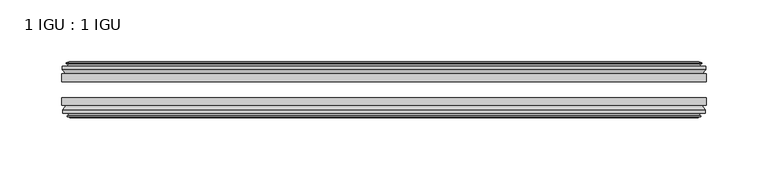
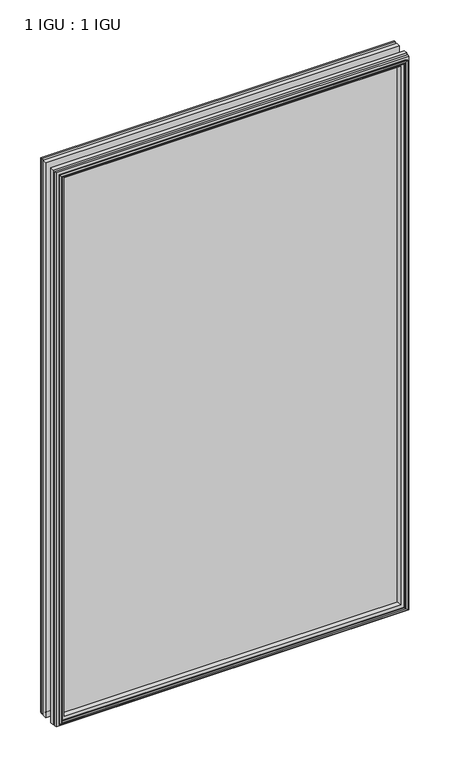
"""IFC4 building model written with IfcOpenShell, lengths in millimetres: plate geometry, 1 IGU : 1 IGU."""

from ifc_helpers import new_model, si_unit, frame, origin, place, context, project, spatial, polyline, outline, extrude, faceted_brep, source, transform, mapped, element, save


def plate_1_igu_1_igu_80b98047(model_context):
    return source(origin(), model_context, "Body", "SolidModel", [
        extrude(outline(polyline([(260.3879649, -25.8960937), (260.3879649, -32.2460938), (-260.3879649, -32.2460938), (-260.3879649, -25.8960937), (260.3879649, -25.8960937)])), frame((0.0, 0.0, -12.7), z_axis=(0.0, 0.0, 1.0), x_axis=(1.0, 0.0, 0.0)), (0.0, 0.0, 1.0), 863.6),
        extrude(outline(polyline([(-260.3879649, -51.2960938), (-260.3879649, -45.2686737), (260.3879649, -45.2686737), (260.3879649, -51.2960938), (-260.3879649, -51.2960938)])), frame((0.0, 0.0, -12.7), z_axis=(0.0, 0.0, 1.0), x_axis=(1.0, 0.0, 0.0)), (0.0, 0.0, 1.0), 863.6),
        faceted_brep([(-254.7999649, -60.0262907, 845.312), (-255.1809649, -57.6460937, 845.693), (-255.1809649, -57.6460937, -7.493), (-254.7999649, -60.0262907, -7.112), (-256.215494, -59.5663575, 846.727529), (-256.215494, -59.5663575, -8.5275291), (-256.215494, -60.3675717, 846.727529), (-256.215494, -60.3675717, -8.5275291), (-254.0379649, -61.0750937, 844.55), (-254.0379649, -61.0750937, -6.35), (-251.8604359, -60.3675717, 842.3724709), (-251.8604359, -60.3675717, -4.1724709), (-251.8604359, -59.5663575, 842.3724709), (-251.8604359, -59.5663575, -4.1724709), (-253.2759649, -60.0262907, 843.788), (-253.2759649, -60.0262907, -5.588), (-252.8949649, -57.6460937, 843.407), (-252.8949649, -57.6460937, -5.207), (-245.9702469, -51.2960937, 836.4822819), (-247.6879649, -57.6460937, 838.2), (-247.6879649, -57.6460937, 0.0), (-245.9702469, -51.2960937, 1.7177181), (-259.6259649, -54.6996937, 850.138), (-256.7916228, -51.2960937, 847.3036578), (-256.7916228, -51.2960937, -9.1036578), (-259.6259649, -54.6996937, -11.938), (-259.6259649, -57.6460937, 850.138), (-259.6259649, -57.6460937, -11.938), (255.1809649, -57.6460938, -7.493), (254.7999649, -60.0262907, -7.112), (256.215494, -59.5663575, -8.5275291), (256.215494, -60.3675717, -8.5275291), (254.0379649, -61.0750937, -6.35), (251.8604359, -60.3675717, -4.1724709), (251.8604359, -59.5663575, -4.1724709), (253.2759649, -60.0262907, -5.588), (252.8949649, -57.6460937, -5.207), (247.6879649, -57.6460937, 0.0), (245.9702469, -51.2960937, 1.7177181), (256.7916228, -51.2960937, -9.1036578), (259.6259649, -54.6996937, -11.938), (259.6259649, -57.6460938, -11.938), (255.1809649, -57.6460938, 845.693), (254.7999649, -60.0262907, 845.312), (256.215494, -59.5663575, 846.727529), (256.215494, -60.3675717, 846.727529), (254.0379649, -61.0750937, 844.55), (251.8604359, -60.3675717, 842.3724709), (251.8604359, -59.5663575, 842.3724709), (253.2759649, -60.0262907, 843.788), (252.8949649, -57.6460937, 843.407), (247.6879649, -57.6460937, 838.2), (245.9702469, -51.2960937, 836.4822819), (256.7916228, -51.2960937, 847.3036578), (259.6259649, -54.6996937, 850.138), (259.6259649, -57.6460938, 850.138)], [[[0, 1, 2, 3]], [[4, 0, 3, 5]], [[6, 4, 5, 7]], [[8, 6, 7, 9]], [[10, 8, 9, 11]], [[12, 10, 11, 13]], [[14, 12, 13, 15]], [[16, 14, 15, 17]], [[18, 19, 20, 21]], [[22, 23, 24, 25]], [[26, 22, 25, 27]], [[3, 2, 28, 29]], [[5, 3, 29, 30]], [[7, 5, 30, 31]], [[9, 7, 31, 32]], [[11, 9, 32, 33]], [[13, 11, 33, 34]], [[15, 13, 34, 35]], [[17, 15, 35, 36]], [[21, 20, 37, 38]], [[25, 24, 39, 40]], [[27, 25, 40, 41]], [[29, 28, 42, 43]], [[30, 29, 43, 44]], [[31, 30, 44, 45]], [[32, 31, 45, 46]], [[33, 32, 46, 47]], [[34, 33, 47, 48]], [[35, 34, 48, 49]], [[36, 35, 49, 50]], [[38, 37, 51, 52]], [[40, 39, 53, 54]], [[41, 40, 54, 55]], [[27, 41, 55, 26], [1, 42, 28, 2]], [[43, 42, 1, 0]], [[44, 43, 0, 4]], [[45, 44, 4, 6]], [[46, 45, 6, 8]], [[47, 46, 8, 10]], [[48, 47, 10, 12]], [[49, 48, 12, 14]], [[50, 49, 14, 16]], [[17, 36, 50, 16], [19, 51, 37, 20]], [[52, 51, 19, 18]], [[23, 53, 39, 24], [21, 38, 52, 18]], [[54, 53, 23, 22]], [[55, 54, 22, 26]]]),
        faceted_brep([(-257.3123228, -25.8960937, 847.8243578), (-260.1466649, -22.4924937, 850.6587), (-260.1466649, -22.4924937, -12.4587), (-257.3123228, -25.8960937, -9.6243578), (-248.2086649, -19.5460937, 838.7207), (-246.4909469, -25.8960937, 837.0029819), (-246.4909469, -25.8960937, 1.1970181), (-248.2086649, -19.5460937, -0.5207), (-253.7966649, -17.1658968, 844.3087), (-253.4156649, -19.5460937, 843.9277), (-253.4156649, -19.5460937, -5.7277), (-253.7966649, -17.1658968, -6.1087), (-252.3811359, -17.62583, 842.8931709), (-252.3811359, -17.62583, -4.6931709), (-252.3811359, -16.8246158, 842.8931709), (-252.3811359, -16.8246158, -4.6931709), (-254.5586649, -16.1170937, 845.0707), (-254.5586649, -16.1170937, -6.8707), (-256.736194, -16.8246158, 847.248229), (-256.736194, -16.8246158, -9.0482291), (-256.736194, -17.62583, 847.248229), (-256.736194, -17.62583, -9.0482291), (-255.3206649, -17.1658968, 845.8327), (-255.3206649, -17.1658968, -7.6327), (-255.7016649, -19.5460937, 846.2137), (-255.7016649, -19.5460937, -8.0137), (-260.1466649, -19.5460937, 850.6587), (-260.1466649, -19.5460937, -12.4587), (260.1466649, -22.4924937, -12.4587), (257.3123228, -25.8960937, -9.6243578), (246.4909469, -25.8960937, 1.1970181), (248.2086649, -19.5460937, -0.5207), (253.4156649, -19.5460937, -5.7277), (253.7966649, -17.1658968, -6.1087), (252.3811359, -17.62583, -4.6931709), (252.3811359, -16.8246158, -4.6931709), (254.5586649, -16.1170937, -6.8707), (256.736194, -16.8246158, -9.0482291), (256.736194, -17.62583, -9.0482291), (255.3206649, -17.1658968, -7.6327), (255.7016649, -19.5460937, -8.0137), (260.1466649, -19.5460937, -12.4587), (260.1466649, -22.4924937, 850.6587), (257.3123228, -25.8960937, 847.8243578), (246.4909469, -25.8960937, 837.0029819), (248.2086649, -19.5460937, 838.7207), (253.4156649, -19.5460937, 843.9277), (253.7966649, -17.1658968, 844.3087), (252.3811359, -17.62583, 842.8931709), (252.3811359, -16.8246158, 842.8931709), (254.5586649, -16.1170937, 845.0707), (256.736194, -16.8246158, 847.248229), (256.736194, -17.62583, 847.248229), (255.3206649, -17.1658968, 845.8327), (255.7016649, -19.5460937, 846.2137), (260.1466649, -19.5460937, 850.6587)], [[[0, 1, 2, 3]], [[4, 5, 6, 7]], [[8, 9, 10, 11]], [[12, 8, 11, 13]], [[14, 12, 13, 15]], [[16, 14, 15, 17]], [[18, 16, 17, 19]], [[20, 18, 19, 21]], [[22, 20, 21, 23]], [[24, 22, 23, 25]], [[1, 26, 27, 2]], [[3, 2, 28, 29]], [[7, 6, 30, 31]], [[11, 10, 32, 33]], [[13, 11, 33, 34]], [[15, 13, 34, 35]], [[17, 15, 35, 36]], [[19, 17, 36, 37]], [[21, 19, 37, 38]], [[23, 21, 38, 39]], [[25, 23, 39, 40]], [[2, 27, 41, 28]], [[29, 28, 42, 43]], [[31, 30, 44, 45]], [[33, 32, 46, 47]], [[34, 33, 47, 48]], [[35, 34, 48, 49]], [[36, 35, 49, 50]], [[37, 36, 50, 51]], [[38, 37, 51, 52]], [[39, 38, 52, 53]], [[40, 39, 53, 54]], [[28, 41, 55, 42]], [[43, 42, 1, 0]], [[3, 29, 43, 0], [5, 44, 30, 6]], [[45, 44, 5, 4]], [[9, 46, 32, 10], [7, 31, 45, 4]], [[47, 46, 9, 8]], [[48, 47, 8, 12]], [[49, 48, 12, 14]], [[50, 49, 14, 16]], [[51, 50, 16, 18]], [[52, 51, 18, 20]], [[53, 52, 20, 22]], [[54, 53, 22, 24]], [[26, 55, 41, 27], [25, 40, 54, 24]], [[42, 55, 26, 1]]]),
    ])


if __name__ == "__main__":
    model = new_model("IFC4")
    model_context = context("Model", 3, world=origin())
    ifc_project = project(units=[si_unit("LENGTHUNIT", "METRE", prefix="MILLI")], contexts=[model_context])
    site = spatial("IfcSite", under=ifc_project)
    building = spatial("IfcBuilding", under=site)
    placement = place(None, origin())
    plate_1_igu_1_igu_shape = plate_1_igu_1_igu_80b98047(model_context)
    element("IfcPlate", 1, ObjectType="1 IGU : 1 IGU", at=placement, inside=building, context=model_context, shape_type="MappedRepresentation", body=[
        mapped(plate_1_igu_1_igu_shape, transform((0.0, 0.0, 0.0), x_axis=(1.0, 0.0, 0.0), y_axis=(0.0, 1.0, 0.0), z_axis=(0.0, 0.0, 1.0))),
    ])
    save(model, "model.ifc")
